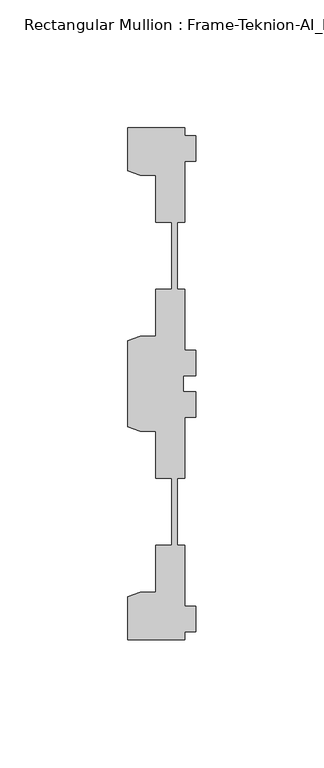
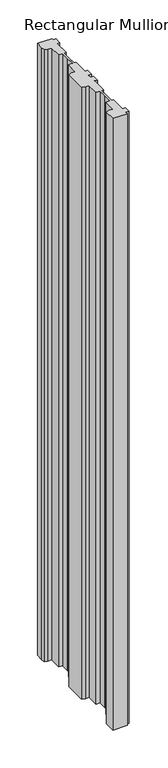
"""IFC4 building model written with IfcOpenShell, lengths in millimetres: member geometry, Rectangular Mullion : Frame-Teknion-AI_Healthcare-Ceiling_Double_Channel."""

from ifc_helpers import new_model, si_unit, frame, origin, place, context, project, spatial, polyline, outline, extrude, source, transform, mapped, element, save


def rectangular_mullion_frame_teknion_ai_healthcare_ceiling_23579e6c(model_context):
    return source(origin(), model_context, "Body", "SweptSolid", [
        extrude(outline(polyline([(-4.2672007, -100.0110586), (-26.4921999, -100.0110586), (-26.4921999, -83.20115), (-21.6625199, -81.4690854), (-15.6737764, -81.4690854), (-15.6737764, -63.0920594), (-9.4507761, -63.0920594), (-9.4507761, -47.8659877), (-9.4507761, -36.9300571), (-15.6737764, -36.9300571), (-15.6737764, -18.5530311), (-21.6357055, -18.5530311), (-26.4921999, -16.8113452), (-26.4921999, 16.8113452), (-21.6625199, 18.5434146), (-15.6737764, 18.5434146), (-15.6737764, 36.9204406), (-9.4507761, 36.9204406), (-9.4507761, 50.8315128), (-9.4507761, 63.0824429), (-15.6737764, 63.0824429), (-15.6737764, 81.4594689), (-21.6625199, 81.4594689), (-26.4921999, 83.1915336), (-26.4921999, 90.2224424), (-26.4921999, 100.0014421), (-4.2672007, 100.0014421), (-4.2672007, 96.9534451), (0.0, 96.9534451), (0.0, 86.9534377), (-4.2672007, 86.9534377), (-4.2672007, 63.0824429), (-7.1647766, 63.0824429), (-7.1647766, 50.7500324), (-7.1647766, 36.9204406), (-4.2672007, 36.9204406), (-4.2672007, 13.0494413), (0.0, 13.0494413), (0.0, 3.0494419), (-4.7752002, 3.0494419), (-4.7752002, 0.0), (-4.7752002, -3.0494419), (0.0, -3.0494419), (0.0, -13.0494413), (-4.2672007, -13.0494413), (-4.2672007, -36.9204406), (-7.1647766, -36.9204406), (-7.1647766, -48.9859882), (-7.1647766, -63.0824429), (-4.2672007, -63.0824429), (-4.2672007, -86.9534377), (0.0, -86.9534377), (0.0, -96.9534451), (-4.2672007, -96.9534451), (-4.2672007, -100.0110586)])), frame((0.0, 0.0, -990.6), z_axis=(0.0, 0.0, 1.0), x_axis=(1.0, 0.0, 0.0)), (0.0, 0.0, 1.0), 990.6),
    ])


if __name__ == "__main__":
    model = new_model("IFC4")
    model_context = context("Model", 3, world=origin())
    ifc_project = project(units=[si_unit("LENGTHUNIT", "METRE", prefix="MILLI")], contexts=[model_context])
    site = spatial("IfcSite", under=ifc_project)
    building = spatial("IfcBuilding", under=site)
    placement = place(None, origin())
    rectangular_mullion_frame_teknion_ai_healthcare_ceiling_shape = rectangular_mullion_frame_teknion_ai_healthcare_ceiling_23579e6c(model_context)
    element("IfcMember", 1, ObjectType="Rectangular Mullion : Frame-Teknion-AI_Healthcare-Ceiling_Double_Channel", at=placement, inside=building, context=model_context, shape_type="MappedRepresentation", body=[
        mapped(rectangular_mullion_frame_teknion_ai_healthcare_ceiling_shape, transform((0.0, 0.0, 0.0), x_axis=(1.0, 0.0, 0.0), y_axis=(0.0, 1.0, 0.0), z_axis=(0.0, 0.0, 1.0))),
    ])
    save(model, "model.ifc")
